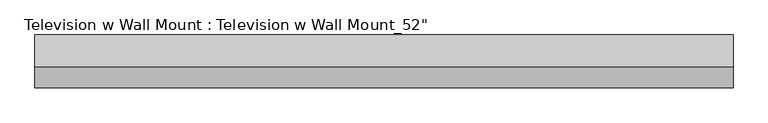
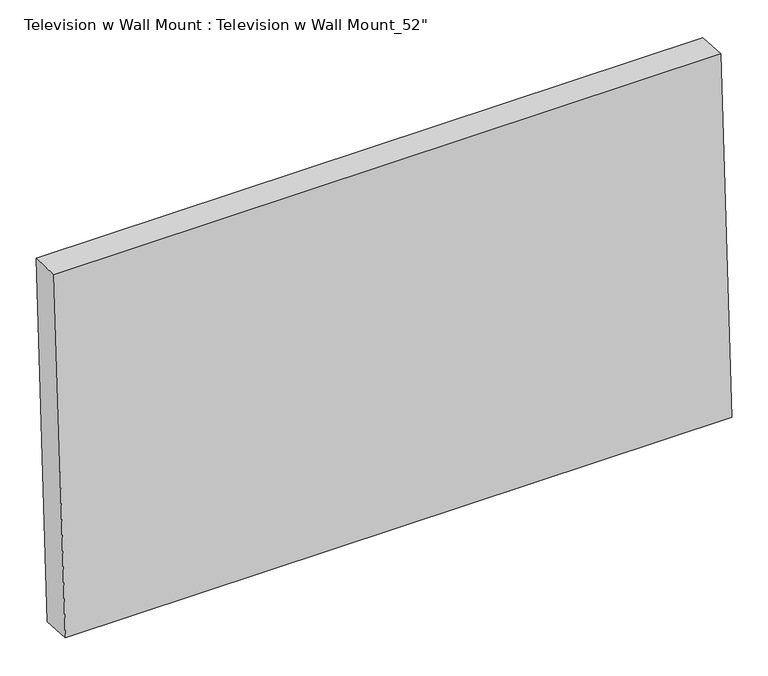
"""IFC4 building model written with IfcOpenShell, lengths in millimetres: proxy geometry."""

from ifc_helpers import new_model, si_unit, point, frame, frame_2d, origin, place, context, project, spatial, polyline, circle_curve, trimmed, segment, composite_curve, outline, extrude, source, transform, mapped, element, save
from ifc_brep_helpers import plane_surface, revolved_surface, advanced_brep


def proxy_8ddd2e3c(model_context):
    return source(origin(), model_context, "Body", "SolidModel", [
        extrude(outline(composite_curve([segment(trimmed(circle_curve(frame_2d((0.0, -9.0037851)), 9.0037851), [point((0.0, -18.0075702))], [point((0.0, 0.0))], False, "CARTESIAN"), True, "CONTINUOUS"), segment(trimmed(circle_curve(frame_2d((0.0, -9.0037851)), 9.0037851), [point((0.0, 0.0))], [point((0.0, -18.0075702))], False, "CARTESIAN"), True, "CONTINUOUS")], self_intersect=False)), frame((-725.0925401, 179.1589511, 2469.4119407), z_axis=(0.0, -0.9986295347545739, 0.05233595624294378), x_axis=(1.0, 0.0, 0.0)), (0.0, 0.0, 1.0), 9.2209617),
        extrude(outline(composite_curve([segment(trimmed(circle_curve(frame_2d((0.0, -9.0037851)), 9.0037851), [point((0.0, -18.0075702))], [point((0.0, 0.0))], False, "CARTESIAN"), True, "CONTINUOUS"), segment(trimmed(circle_curve(frame_2d((0.0, -9.0037851)), 9.0037851), [point((0.0, 0.0))], [point((0.0, -18.0075702))], False, "CARTESIAN"), True, "CONTINUOUS")], self_intersect=False)), frame((-744.1425401, 179.1589511, 2469.4119407), z_axis=(0.0, -0.9986295347545739, 0.05233595624294378), x_axis=(1.0, 0.0, 0.0)), (0.0, 0.0, 1.0), 9.2209617),
        extrude(outline(polyline([(0.0, -1001.7125), (0.0, 0.0), (9.2209618, 0.0), (9.2209618, -1001.7125), (0.0, -1001.7125)])), frame((-798.03625, 170.3037084, 2476.6317364), z_axis=(0.0, 0.05233595624292889, 0.9986295347545747), x_axis=(0.0, 0.9986295347545747, -0.05233595624292889)), (0.0, 0.0, 1.0), 531.4488846),
        extrude(outline(polyline([(0.0, -1001.7125), (0.0, 0.0), (15.0534229, 0.0), (15.0534229, -1001.7125), (0.0, -1001.7125)])), frame((-798.03625, 155.2709157, 2477.4195717), z_axis=(0.0, 0.052335956242928555, 0.9986295347545747), x_axis=(0.0, 0.9986295347545747, -0.052335956242928555)), (0.0, 0.0, 1.0), 531.4488846),
        extrude(outline(composite_curve([segment(trimmed(circle_curve(frame_2d((0.0, -9.0037851)), 9.0037851), [point((0.0, -18.0075702))], [point((0.0, 0.0))], False, "CARTESIAN"), True, "CONTINUOUS"), segment(trimmed(circle_curve(frame_2d((0.0, -9.0037851)), 9.0037851), [point((0.0, 0.0))], [point((0.0, -18.0075702))], False, "CARTESIAN"), True, "CONTINUOUS")], self_intersect=False)), frame((-763.1925401, 179.1589511, 2469.4119407), z_axis=(0.0, -0.9986295347545739, 0.05233595624294378), x_axis=(1.0, 0.0, 0.0)), (0.0, 0.0, 1.0), 9.2209617),
        advanced_brep(
        [(-830.58, 159.4228194, 3041.9686073), (-830.58, 128.2025172, 2446.249755), (236.22, 128.2025172, 2446.249755), (236.22, 159.4228194, 3041.9686073), (-830.58, 209.029127, 3039.3688509), (236.22, 209.029127, 3039.3688509), (236.22, 177.8088249, 2443.6499986), (-830.58, 177.8088249, 2443.6499986), (-798.03625, 207.3259187, 3006.869701), (-798.03625, 179.5120332, 2476.1491485), (203.67625, 179.5120332, 2476.1491485), (203.67625, 207.3259187, 3006.869701), (-763.1925401, 178.3705968, 2454.3692461), (-763.1925401, 179.0352635, 2467.0518412), (-744.1425401, 178.3705968, 2454.3692461), (-744.1425401, 179.0352635, 2467.0518412), (-725.0925401, 178.3705968, 2454.3692461), (-725.0925401, 179.0352635, 2467.0518412), (-798.03625, 183.0848013, 3008.1401241), (203.67625, 183.0848013, 3008.1401241), (203.67625, 155.2709157, 2477.4195717), (-798.03625, 155.2709157, 2477.4195717), (-763.1925401, 154.1294794, 2455.6396693), (-763.1925401, 154.794146, 2468.3222643), (-744.1425401, 154.1294794, 2455.6396693), (-744.1425401, 154.794146, 2468.3222643), (-725.0925401, 154.1294794, 2455.6396693), (-725.0925401, 154.794146, 2468.3222643)],
        [
            (0, 1),
            (1, 2),
            (2, 3),
            (3, 0),
            (4, 5),
            (5, 6),
            (6, 7),
            (7, 4),
            (8, 9),
            (9, 10),
            (10, 11),
            (11, 8),
            (12, 13, circle_curve(frame((-763.1925401, 178.7029302, 2460.7105437), z_axis=(0.0, -0.9986295347545739, 0.05233595624294378), x_axis=(0.0, 0.05233595624294378, 0.9986295347545739)), 6.35)),
            (13, 12, circle_curve(frame((-763.1925401, 178.7029302, 2460.7105437), z_axis=(0.0, -0.9986295347545739, 0.05233595624294378), x_axis=(0.0, 0.05233595624294378, 0.9986295347545739)), 6.35)),
            (14, 15, circle_curve(frame((-744.1425401, 178.7029302, 2460.7105437), z_axis=(0.0, -0.9986295347545739, 0.05233595624294378), x_axis=(0.0, 0.05233595624294378, 0.9986295347545739)), 6.35)),
            (15, 14, circle_curve(frame((-744.1425401, 178.7029302, 2460.7105437), z_axis=(0.0, -0.9986295347545739, 0.05233595624294378), x_axis=(0.0, 0.05233595624294378, 0.9986295347545739)), 6.35)),
            (16, 17, circle_curve(frame((-725.0925401, 178.7029302, 2460.7105437), z_axis=(0.0, -0.9986295347545739, 0.05233595624294378), x_axis=(0.0, 0.05233595624294378, 0.9986295347545739)), 6.35)),
            (17, 16, circle_curve(frame((-725.0925401, 178.7029302, 2460.7105437), z_axis=(0.0, -0.9986295347545739, 0.05233595624294378), x_axis=(0.0, 0.05233595624294378, 0.9986295347545739)), 6.35)),
            (0, 4),
            (7, 1),
            (6, 2),
            (5, 3),
            (18, 19),
            (19, 20),
            (20, 21),
            (21, 18),
            (21, 9),
            (8, 18),
            (20, 10),
            (19, 11),
            (22, 23, circle_curve(frame((-763.1925401, 154.4618127, 2461.9809668), z_axis=(0.0, 0.9986295347545739, -0.05233595624294378), x_axis=(0.0, 0.05233595624294378, 0.9986295347545739)), 6.35)),
            (23, 22, circle_curve(frame((-763.1925401, 154.4618127, 2461.9809668), z_axis=(0.0, 0.9986295347545739, -0.05233595624294378), x_axis=(0.0, 0.05233595624294378, 0.9986295347545739)), 6.35)),
            (24, 25, circle_curve(frame((-744.1425401, 154.4618127, 2461.9809668), z_axis=(0.0, 0.9986295347545739, -0.05233595624294378), x_axis=(0.0, 0.05233595624294378, 0.9986295347545739)), 6.35)),
            (25, 24, circle_curve(frame((-744.1425401, 154.4618127, 2461.9809668), z_axis=(0.0, 0.9986295347545739, -0.05233595624294378), x_axis=(0.0, 0.05233595624294378, 0.9986295347545739)), 6.35)),
            (26, 27, circle_curve(frame((-725.0925401, 154.4618127, 2461.9809668), z_axis=(0.0, 0.9986295347545739, -0.05233595624294378), x_axis=(0.0, 0.05233595624294378, 0.9986295347545739)), 6.35)),
            (27, 26, circle_curve(frame((-725.0925401, 154.4618127, 2461.9809668), z_axis=(0.0, 0.9986295347545739, -0.05233595624294378), x_axis=(0.0, 0.05233595624294378, 0.9986295347545739)), 6.35)),
            (23, 13),
            (12, 22),
            (25, 15),
            (14, 24),
            (27, 17),
            (16, 26),
        ],
        [
            plane_surface(frame((-830.58, 159.4228194, 3041.9686073), z_axis=(0.0, -0.9986295347545739, 0.05233595624294378), x_axis=(0.0, -0.05233595624294378, -0.9986295347545739))),
            plane_surface(frame((-830.58, 209.029127, 3039.3688509), z_axis=(0.0, 0.9986295347545739, -0.05233595624294378), x_axis=(0.0, 0.05233595624294378, 0.9986295347545739))),
            plane_surface(frame((-830.58, 159.4228194, 3041.9686073), z_axis=(-1.0000000000000002, 0.0, 0.0), x_axis=(0.0, 0.9986295347545738, -0.052335956242946395))),
            plane_surface(frame((-830.58, 128.2025172, 2446.249755), z_axis=(0.0, -0.05233595624294638, -0.9986295347545738), x_axis=(0.0, 0.9986295347545738, -0.05233595624294638))),
            plane_surface(frame((236.22, 128.2025172, 2446.249755), z_axis=(1.0000000000000002, 0.0, 0.0), x_axis=(0.0, 0.9986295347545738, -0.05233595624294638))),
            plane_surface(frame((236.22, 159.4228194, 3041.9686073), z_axis=(0.0, 0.052335956242946395, 0.9986295347545738), x_axis=(0.0, 0.9986295347545738, -0.052335956242946395))),
            plane_surface(frame((-798.03625, 183.0848013, 3008.1401241), z_axis=(0.0, 0.9986295347545739, -0.05233595624294378), x_axis=(0.0, -0.05233595624294378, -0.9986295347545739))),
            plane_surface(frame((-798.03625, 183.0848013, 3008.1401241), z_axis=(1.0, 0.0, 0.0), x_axis=(0.0, 0.998629534754574, -0.05233595624294175))),
            plane_surface(frame((-798.03625, 155.2709157, 2477.4195717), z_axis=(0.0, 0.05233595624294175, 0.998629534754574), x_axis=(0.0, 0.998629534754574, -0.05233595624294175))),
            plane_surface(frame((203.67625, 155.2709157, 2477.4195717), z_axis=(-1.0, 0.0, 0.0), x_axis=(0.0, 0.998629534754574, -0.05233595624294175))),
            plane_surface(frame((203.67625, 183.0848013, 3008.1401241), z_axis=(0.0, -0.05233595624294175, -0.998629534754574), x_axis=(0.0, 0.998629534754574, -0.05233595624294175))),
            plane_surface(frame((-763.1925401, 154.794146, 2468.3222643), z_axis=(0.0, 0.9986295347545739, -0.05233595624294377), x_axis=(-1.0, 0.0, 0.0))),
            revolved_surface(polyline([(-763.1925401, 154.79414600286253, 2468.3222643546205), (-763.1925401, 179.03526352070037, 2467.0518412181714)]), (-763.1925401, 243.2399783, 2457.3283003), (0.0, -0.9986295347545739, 0.05233595624294378)),
            revolved_surface(polyline([(-744.1425401, 154.79414600299884, 2468.3222643572212), (-744.1425401, 179.03526352083668, 2467.051841220772)]), (-744.1425401, 129.0966225, 2463.3103001), (0.0, -0.9986295347545739, 0.05233595624294378)),
            revolved_surface(polyline([(-725.0925401, 154.79414600299884, 2468.3222643572212), (-725.0925401, 179.03526352083668, 2467.051841220772)]), (-725.0925401, 129.0966225, 2463.3103001), (0.0, -0.9986295347545739, 0.05233595624294378)),
        ],
        [
            (0, [[1, 2, 3, 4]]),
            (1, [[5, 6, 7, 8], [9, 10, 11, 12], [13, 14], [15, 16], [17, 18]]),
            (2, [[-1, 19, -8, 20]]),
            (3, [[-2, -20, -7, 21]]),
            (4, [[-3, -21, -6, 22]]),
            (5, [[-4, -22, -5, -19]]),
            (6, [[23, 24, 25, 26]]),
            (7, [[-26, 27, -9, 28]]),
            (8, [[-25, 29, -10, -27]]),
            (9, [[-24, 30, -11, -29]]),
            (10, [[-23, -28, -12, -30]]),
            (11, [[31, 32]]),
            (11, [[33, 34]]),
            (11, [[35, 36]]),
            (12, [[-32, 37, -13, 38]]),
            (12, [[-31, -38, -14, -37]]),
            (13, [[-34, 39, -15, 40]]),
            (13, [[-33, -40, -16, -39]]),
            (14, [[-36, 41, -17, 42]]),
            (14, [[-35, -42, -18, -41]]),
        ],
    ),
    ])


if __name__ == "__main__":
    model = new_model("IFC4")
    model_context = context("Model", 3, world=origin())
    ifc_project = project(units=[si_unit("LENGTHUNIT", "METRE", prefix="MILLI")], contexts=[model_context])
    site = spatial("IfcSite", under=ifc_project)
    building = spatial("IfcBuilding", under=site)
    placement = place(None, origin())
    proxy_shape = proxy_8ddd2e3c(model_context)
    element("IfcBuildingElementProxy", 1, Name="Television w Wall Mount : Television w Wall Mount_52\"", ObjectType="Television w Wall Mount : Television w Wall Mount_52\"", at=placement, inside=building, context=model_context, shape_type="MappedRepresentation", body=[
        mapped(proxy_shape, transform((0.0, 0.0, 0.0), x_axis=(1.0, 0.0, 0.0), y_axis=(0.0, 1.0, 0.0), z_axis=(0.0, 0.0, 1.0))),
    ])
    save(model, "model.ifc")
